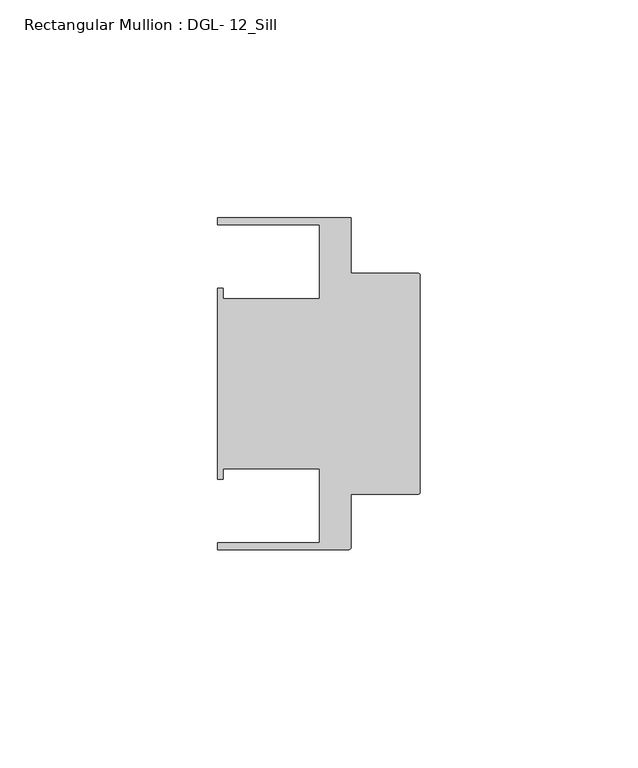
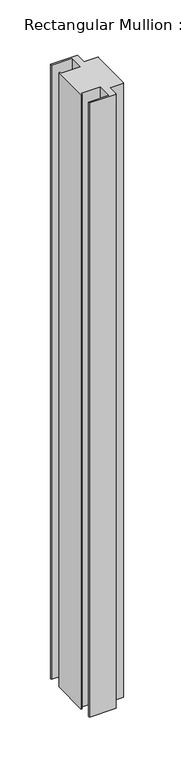
"""IFC4 building model written with IfcOpenShell, lengths in millimetres: member geometry, Rectangular Mullion : DGL- 12_Sill."""

from ifc_helpers import new_model, si_unit, point, frame, frame_2d, origin, place, context, project, spatial, polyline, circle_curve, trimmed, segment, composite_curve, outline, extrude, source, transform, mapped, element, save


def rectangular_mullion_dgl_12_sill_a1f4bd6d(model_context):
    return source(origin(), model_context, "Body", "SweptSolid", [
        extrude(outline(composite_curve([segment(trimmed(circle_curve(frame_2d((-0.5953125, 24.8046875)), 0.5953125), [point((-0.5953125, 25.4))], [point((0.0, 24.8046875))], False, "CARTESIAN"), True, "CONTINUOUS"), segment(polyline([(0.0, 24.8046875), (0.0, -24.8046875)]), True, "CONTINUOUS"), segment(trimmed(circle_curve(frame_2d((-0.5953125, -24.8046875)), 0.5953125), [point((0.0, -24.8046875))], [point((-0.5953125, -25.4))], False, "CARTESIAN"), True, "CONTINUOUS"), segment(polyline([(-0.5953125, -25.4), (-15.8750672, -25.4), (-15.8750672, -37.5047035)]), True, "CONTINUOUS"), segment(trimmed(circle_curve(frame_2d((-16.4703797, -37.5047035)), 0.5953125), [point((-15.8750672, -37.5047035))], [point((-16.4703797, -38.100016))], False, "CARTESIAN"), True, "CONTINUOUS"), segment(polyline([(-16.4703797, -38.100016), (-46.54296, -38.100016), (-46.54296, -36.512516), (-23.1202791, -36.512516), (-23.1202791, -19.4824275), (-45.2865266, -19.4824275), (-45.2865266, -21.9710976), (-46.54296, -21.9710976), (-46.54296, 21.9710976), (-45.2865266, 21.9710976), (-45.2865266, 19.4824275), (-23.1202791, 19.4824275), (-23.1202791, 36.512516), (-46.54296, 36.512516), (-46.54296, 38.0996792), (-15.8750672, 38.0996792), (-15.8750672, 25.4), (-0.5953125, 25.4)]), True, "CONTINUOUS")], self_intersect=False)), frame((0.0, 0.0, -737.602731), z_axis=(0.0, 0.0, 1.0), x_axis=(1.0, 0.0, 0.0)), (0.0, 0.0, 1.0), 737.602731),
    ])


if __name__ == "__main__":
    model = new_model("IFC4")
    model_context = context("Model", 3, world=origin())
    ifc_project = project(units=[si_unit("LENGTHUNIT", "METRE", prefix="MILLI")], contexts=[model_context])
    site = spatial("IfcSite", under=ifc_project)
    building = spatial("IfcBuilding", under=site)
    placement = place(None, origin())
    rectangular_mullion_dgl_12_sill_shape = rectangular_mullion_dgl_12_sill_a1f4bd6d(model_context)
    element("IfcMember", 1, ObjectType="Rectangular Mullion : DGL- 12_Sill", at=placement, inside=building, context=model_context, shape_type="MappedRepresentation", body=[
        mapped(rectangular_mullion_dgl_12_sill_shape, transform((0.0, 0.0, 0.0), x_axis=(1.0, 0.0, 0.0), y_axis=(0.0, 1.0, 0.0), z_axis=(0.0, 0.0, 1.0))),
    ])
    save(model, "model.ifc")
